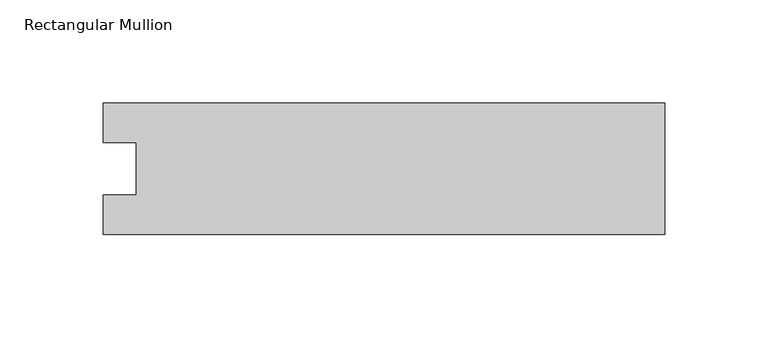
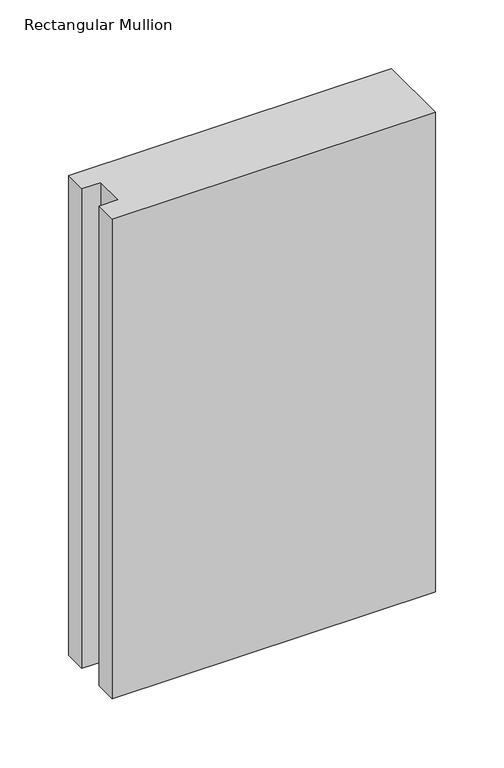
"""IFC4 building model written with IfcOpenShell, lengths in millimetres: member geometry, Rectangular Mullion."""

from ifc_helpers import new_model, si_unit, frame, origin, place, context, project, spatial, polyline, outline, extrude, source, transform, mapped, element, save


def rectangular_mullion_f2803b8e(model_context):
    return source(origin(), model_context, "Body", "SweptSolid", [
        extrude(outline(polyline([(-271.2568015, 31.7489583), (0.0, 31.7489583), (0.0, -31.7489583), (-271.2568015, -31.7489583), (-271.2568015, -12.7), (-255.3707024, -12.7), (-255.3707024, 12.7), (-271.2568015, 12.7), (-271.2568015, 31.7489583)])), frame((0.0, 0.0, -426.0287896), z_axis=(0.0, 0.0, 1.0), x_axis=(1.0, 0.0, 0.0)), (0.0, 0.0, 1.0), 426.0287896),
    ])


if __name__ == "__main__":
    model = new_model("IFC4")
    model_context = context("Model", 3, world=origin())
    ifc_project = project(units=[si_unit("LENGTHUNIT", "METRE", prefix="MILLI")], contexts=[model_context])
    site = spatial("IfcSite", under=ifc_project)
    building = spatial("IfcBuilding", under=site)
    placement = place(None, origin())
    rectangular_mullion_shape = rectangular_mullion_f2803b8e(model_context)
    element("IfcMember", 1, ObjectType="Rectangular Mullion", at=placement, inside=building, context=model_context, shape_type="MappedRepresentation", body=[
        mapped(rectangular_mullion_shape, transform((0.0, 0.0, 0.0), x_axis=(1.0, 0.0, 0.0), y_axis=(0.0, 1.0, 0.0), z_axis=(0.0, 0.0, 1.0))),
    ])
    save(model, "model.ifc")
